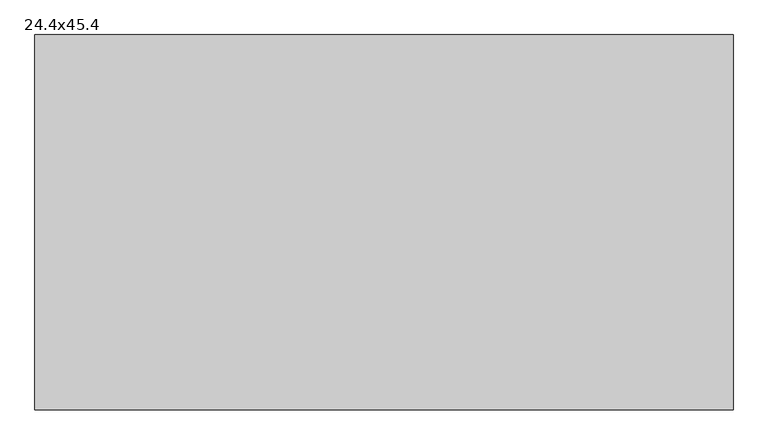
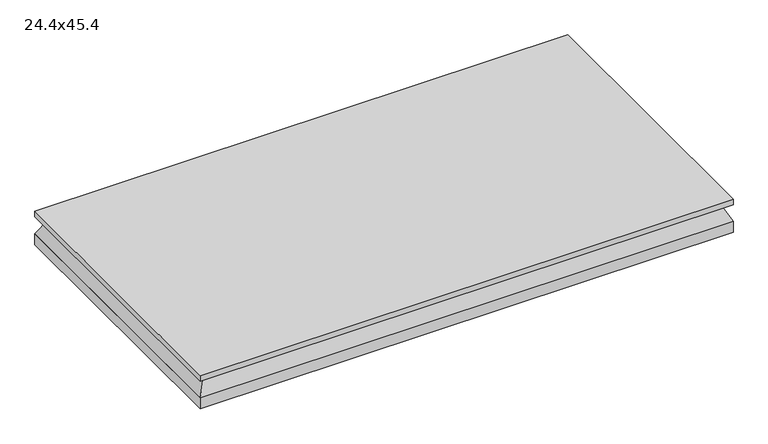
"""IFC4 building model written with IfcOpenShell, lengths in millimetres: air terminal geometry, 24.4x45.4."""

from ifc_helpers import new_model, si_unit, frame, origin, origin_with_axes, place, context, project, spatial, polyline, outline, extrude, faceted_brep, source, transform, mapped, element, save


def air_terminal_24_4x45_4_e17011b0(model_context):
    return source(origin(), model_context, "Body", "SolidModel", [
        faceted_brep([(-557.53, -290.83, 0.0), (557.53, -290.83, 0.0), (557.53, 290.83, 0.0), (-557.53, 290.83, 0.0), (-576.5601562, -309.8601563, -38.1), (-576.5601562, 309.8601562, -38.1), (576.5601563, 309.8601562, -38.1), (576.5601563, -309.8601563, -38.1)], [[[0, 1, 2, 3]], [[4, 5, 6, 7]], [[4, 7, 1, 0]], [[7, 6, 2, 1]], [[6, 5, 3, 2]], [[5, 4, 0, 3]]]),
        extrude(outline(polyline([(576.58, 309.88), (576.58, -309.88), (-576.58, -309.88), (-576.58, 309.88), (576.58, 309.88)])), origin_with_axes(), (0.0, 0.0, 1.0), 12.7),
        extrude(outline(polyline([(-576.5601562, 309.8601562), (576.5601563, 309.8601562), (576.5601563, -309.8601563), (-576.5601562, -309.8601563), (-576.5601562, 309.8601562)])), frame((0.0, 0.0, -63.5), z_axis=(0.0, 0.0, 1.0), x_axis=(1.0, 0.0, 0.0)), (0.0, 0.0, 1.0), 25.4),
    ])


if __name__ == "__main__":
    model = new_model("IFC4")
    model_context = context("Model", 3, world=origin())
    ifc_project = project(units=[si_unit("LENGTHUNIT", "METRE", prefix="MILLI")], contexts=[model_context])
    site = spatial("IfcSite", under=ifc_project)
    building = spatial("IfcBuilding", under=site)
    placement = place(None, origin())
    air_terminal_24_4x45_4_shape = air_terminal_24_4x45_4_e17011b0(model_context)
    element("IfcAirTerminal", 1, ObjectType="24.4x45.4", at=placement, inside=building, context=model_context, shape_type="MappedRepresentation", body=[
        mapped(air_terminal_24_4x45_4_shape, transform((0.0, 0.0, 0.0), x_axis=(1.0, 0.0, 0.0), y_axis=(0.0, 1.0, 0.0), z_axis=(0.0, 0.0, 1.0))),
    ])
    save(model, "model.ifc")
